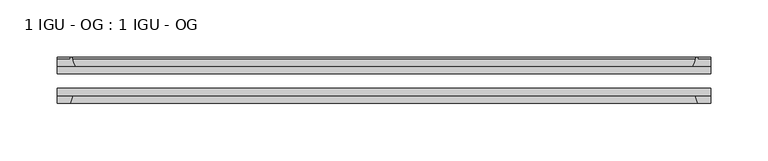
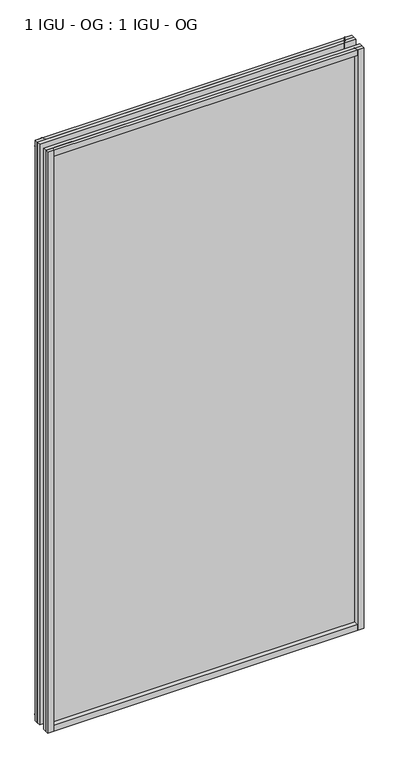
"""IFC4 building model written with IfcOpenShell, lengths in millimetres: plate geometry, 1 IGU - OG : 1 IGU - OG."""

from ifc_helpers import new_model, si_unit, point, frame, frame_2d, origin, place, context, project, spatial, polyline, circle_curve, trimmed, segment, composite_curve, outline, extrude, source, transform, mapped, element, save


def plate_1_igu_og_1_igu_og_810158d2(model_context):
    return source(origin(), model_context, "Body", "SweptSolid", [
        extrude(outline(polyline([(284.1625, -31.75), (284.1625, -38.1), (-284.1625, -38.1), (-284.1625, -31.75), (284.1625, -31.75)])), frame((0.0, 0.0, -11.1125), z_axis=(0.0, 0.0, 1.0), x_axis=(1.0, 0.0, 0.0)), (0.0, 0.0, 1.0), 1101.7245636),
        extrude(outline(polyline([(-284.1625, -12.7), (284.1625, -12.7), (284.1625, -19.05), (-284.1625, -19.05), (-284.1625, -12.7)])), frame((0.0, 0.0, -11.1125), z_axis=(0.0, 0.0, 1.0), x_axis=(1.0, 0.0, 0.0)), (0.0, 0.0, 1.0), 1101.7245636),
        extrude(outline(composite_curve([segment(polyline([(-268.8267091, -12.7), (-284.1625, -12.7), (-284.1625, -6.35), (-273.05, -6.35), (-273.05, -4.7751661), (-272.120586, -4.7751661)]), True, "CONTINUOUS"), segment(trimmed(circle_curve(frame_2d((-272.120586, -5.5371661)), 0.762), [point((-272.120586, -4.7751661))], [point((-271.3783761, -5.364631))], False, "CARTESIAN"), True, "CONTINUOUS"), segment(trimmed(circle_curve(frame_2d((-235.7491579, 2.9177851)), 36.5792237), [point((-271.3783761, -5.364631))], [point((-268.8267091, -12.7))], True, "CARTESIAN"), True, "CONTINUOUS")], self_intersect=False)), frame((0.0, 0.0, -11.1125), z_axis=(0.0, 0.0, 1.0), x_axis=(1.0, 0.0, 0.0)), (0.0, 0.0, 1.0), 1101.7245636),
        extrude(outline(polyline([(-284.1625, -38.1), (-270.9447229, -38.1), (-273.05, -44.45), (-284.1625, -44.45), (-284.1625, -38.1)])), frame((0.0, 0.0, -11.1125), z_axis=(0.0, 0.0, 1.0), x_axis=(1.0, 0.0, 0.0)), (0.0, 0.0, 1.0), 1101.7245636),
        extrude(outline(composite_curve([segment(trimmed(circle_curve(frame_2d((272.120586, -5.5371661)), 0.762), [point((271.3783761, -5.364631))], [point((272.120586, -4.7751661))], False, "CARTESIAN"), True, "CONTINUOUS"), segment(polyline([(272.120586, -4.7751661), (273.05, -4.7751661), (273.05, -6.35), (284.1625, -6.35), (284.1625, -12.7), (268.8267091, -12.7)]), True, "CONTINUOUS"), segment(trimmed(circle_curve(frame_2d((235.7491579, 2.9177851)), 36.5792237), [point((268.8267091, -12.7))], [point((271.3783761, -5.364631))], True, "CARTESIAN"), True, "CONTINUOUS")], self_intersect=False)), frame((0.0, 0.0, -11.1125), z_axis=(0.0, 0.0, 1.0), x_axis=(1.0, 0.0, 0.0)), (0.0, 0.0, 1.0), 1101.7245636),
        extrude(outline(polyline([(270.9447229, -38.1), (284.1625, -38.1), (284.1625, -44.45), (273.05, -44.45), (270.9447229, -38.1)])), frame((0.0, 0.0, -11.1125), z_axis=(0.0, 0.0, 1.0), x_axis=(1.0, 0.0, 0.0)), (0.0, 0.0, 1.0), 1101.7245636),
        extrude(outline(composite_curve([segment(polyline([(-12.7, -11.1125), (-12.7, 4.2232909)]), True, "CONTINUOUS"), segment(trimmed(circle_curve(frame_2d((2.9177851, 37.3008421)), 36.5792237), [point((-12.7, 4.2232909))], [point((-5.364631, 1.6716239))], True, "CARTESIAN"), True, "CONTINUOUS"), segment(trimmed(circle_curve(frame_2d((-5.5371661, 0.929414)), 0.762), [point((-5.364631, 1.6716239))], [point((-4.7751661, 0.929414))], False, "CARTESIAN"), True, "CONTINUOUS"), segment(polyline([(-4.7751661, 0.929414), (-4.7751661, 0.0), (-6.35, 0.0), (-6.35, -11.1125), (-12.7, -11.1125)]), True, "CONTINUOUS")], self_intersect=False)), frame((-284.1625, 0.0, 0.0), z_axis=(1.0, 0.0, 0.0), x_axis=(0.0, 1.0, 0.0)), (0.0, 0.0, 1.0), 568.325),
        extrude(outline(polyline([(-38.1, 2.1052771), (-38.1, -11.1125), (-44.45, -11.1125), (-44.45, 0.0), (-38.1, 2.1052771)])), frame((-284.1625, 0.0, 0.0), z_axis=(1.0, 0.0, 0.0), x_axis=(0.0, 1.0, 0.0)), (0.0, 0.0, 1.0), 568.325),
        extrude(outline(composite_curve([segment(trimmed(circle_curve(frame_2d((2.9177851, 1042.1987214)), 36.5792237), [point((-5.364631, 1077.8279397))], [point((-12.7, 1075.2762727))], True, "CARTESIAN"), True, "CONTINUOUS"), segment(polyline([(-12.7, 1075.2762727), (-12.7, 1090.6120636), (-6.35, 1090.6120636), (-6.35, 1079.4995636), (-4.7751661, 1079.4995636), (-4.7751661, 1078.5701496)]), True, "CONTINUOUS"), segment(trimmed(circle_curve(frame_2d((-5.5371661, 1078.5701496)), 0.762), [point((-4.7751661, 1078.5701496))], [point((-5.364631, 1077.8279397))], False, "CARTESIAN"), True, "CONTINUOUS")], self_intersect=False)), frame((-284.1625, 0.0, 0.0), z_axis=(1.0, 0.0, 0.0), x_axis=(0.0, 1.0, 0.0)), (0.0, 0.0, 1.0), 568.325),
        extrude(outline(polyline([(-38.1, 1090.6120636), (-38.1, 1077.3942865), (-44.45, 1079.4995636), (-44.45, 1090.6120636), (-38.1, 1090.6120636)])), frame((-284.1625, 0.0, 0.0), z_axis=(1.0, 0.0, 0.0), x_axis=(0.0, 1.0, 0.0)), (0.0, 0.0, 1.0), 568.325),
    ])


if __name__ == "__main__":
    model = new_model("IFC4")
    model_context = context("Model", 3, world=origin())
    ifc_project = project(units=[si_unit("LENGTHUNIT", "METRE", prefix="MILLI")], contexts=[model_context])
    site = spatial("IfcSite", under=ifc_project)
    building = spatial("IfcBuilding", under=site)
    placement = place(None, origin())
    plate_1_igu_og_1_igu_og_shape = plate_1_igu_og_1_igu_og_810158d2(model_context)
    element("IfcPlate", 1, ObjectType="1 IGU - OG : 1 IGU - OG", at=placement, inside=building, context=model_context, shape_type="MappedRepresentation", body=[
        mapped(plate_1_igu_og_1_igu_og_shape, transform((0.0, 0.0, 0.0), x_axis=(1.0, 0.0, 0.0), y_axis=(0.0, 1.0, 0.0), z_axis=(0.0, 0.0, 1.0))),
    ])
    save(model, "model.ifc")
